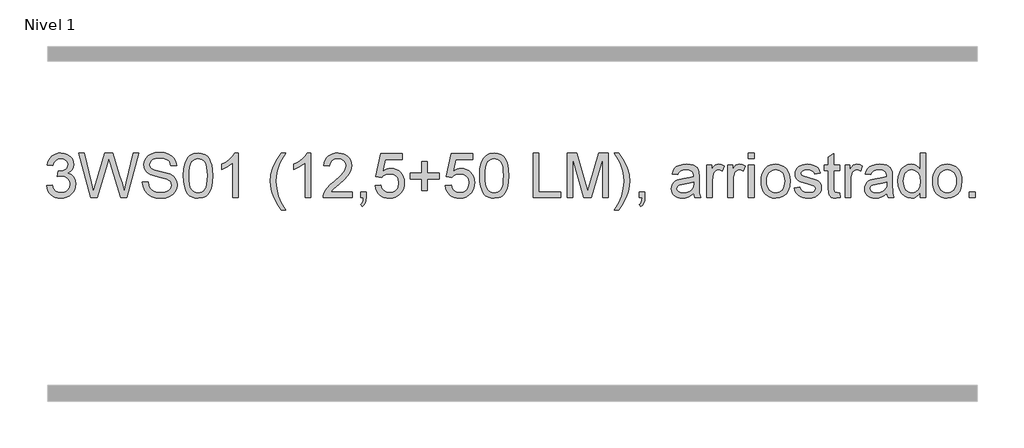
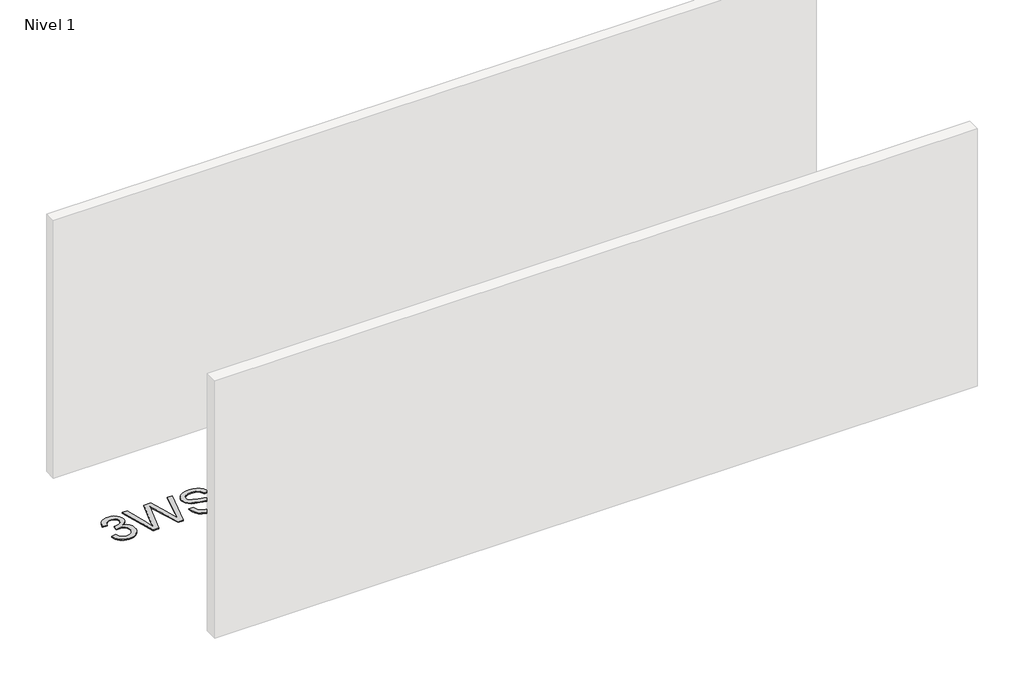
# One storey, part 7 of 13: 1 proxy.
"""IFC4 building model written with IfcOpenShell, lengths in millimetres."""

from ifc_helpers import new_model, si_unit, origin, origin_with_axes, place, context, project, spatial, polyline, outline, extrude, element, save

model = new_model("IFC4")

# Units and contexts
model_context = context("Model", 3, world=origin())
ifc_project = project(units=[si_unit("LENGTHUNIT", "METRE", prefix="MILLI")], contexts=[model_context])

# Site, building, storey
site = spatial("IfcSite", under=ifc_project)
building = spatial("IfcBuilding", under=site)
storey = spatial("IfcBuildingStorey", under=building, Name="Nivel 1", Elevation=0.0)

# Proxy
placement = place(None, origin())
element("IfcBuildingElementProxy", 1, Name="Texto de modelo 1", ObjectType="Texto de modelo 1", at=placement, inside=storey, context=model_context, shape_type="SweptSolid", body=[
    extrude(outline(polyline([(-26187.1652455, -1753.8446235), (-26136.9370905, -1747.5661041), (-26125.6921641, -1779.1303793), (-26109.2233135, -1800.4430095), (-26086.7211981, -1812.5831154), (-26057.3764776, -1816.6298173), (-26022.9427229, -1811.0625364), (-26008.6689015, -1804.1034354), (-25996.3571174, -1794.3606939), (-25979.3609692, -1769.4428201), (-25973.6955865, -1739.2274455), (-25979.3119183, -1710.5449126), (-25996.1609136, -1687.2825078), (-26021.6673986, -1671.8682522), (-26053.2561993, -1666.730167), (-26088.474769, -1672.2238715), (-26082.8829626, -1621.9957164), (-26074.8386097, -1622.5843276), (-26044.7458625, -1618.979084), (-26017.8414259, -1608.1633534), (-26006.7681778, -1599.9841103), (-25998.8587149, -1589.8673555), (-25994.1130372, -1577.8130888), (-25992.5311446, -1563.8213102), (-25997.1174068, -1542.1285352), (-26010.8761934, -1524.5315131), (-26031.8699926, -1512.8696539), (-26058.1612926, -1508.9823675), (-26084.5016434, -1512.9064421), (-26106.0350029, -1524.6786659), (-26121.7558268, -1544.299039), (-26130.6585711, -1571.7675613), (-26180.8867261, -1565.4890419), (-26174.9331692, -1541.5092672), (-26166.0978699, -1520.3867093), (-26154.3808284, -1502.1213683), (-26139.7820446, -1486.713244), (-26122.7613709, -1474.4811677), (-26103.77866, -1465.7439703), (-26082.8339117, -1460.5016519), (-26059.9271261, -1458.7542124), (-26028.3505882, -1462.2000404), (-25999.3492243, -1472.5375245), (-25974.8973343, -1488.8469596), (-25956.9692184, -1510.2086408), (-25945.9695468, -1534.8199463), (-25942.3029895, -1560.8782543), (-25945.7856058, -1585.1584659), (-25956.2334544, -1607.1823347), (-25973.4993827, -1625.9443165), (-25997.4362379, -1640.4388671), (-25965.99459, -1653.1430586), (-25942.695397, -1674.77452), (-25928.2744228, -1704.1560286), (-25923.4674314, -1740.1103623), (-25925.8709271, -1765.5923218), (-25933.0814142, -1789.0631931), (-25945.0988927, -1810.5229762), (-25961.9233626, -1829.971671), (-25982.4205211, -1846.1094278), (-26005.4560654, -1857.636397), (-26031.0299954, -1864.5525785), (-26059.1423112, -1866.8579724), (-26084.5506943, -1864.8898037), (-26107.7027346, -1858.9852977), (-26128.5984319, -1849.1444543), (-26147.2377863, -1835.3672736), (-26162.8666398, -1818.4630959), (-26174.7308341, -1799.2412617), (-26182.8303694, -1777.7017708), (-26187.1652455, -1753.8446235)])), origin_with_axes(), (0.0, 0.0, 1.0), 10.0),
    extrude(outline(polyline([(-25788.7735702, -1860.579453), (-25898.3533539, -1458.7542124), (-25846.5555689, -1458.7542124), (-25782.9855602, -1722.844434), (-25763.3651871, -1804.3670841), (-25742.3713879, -1732.2622131), (-25662.7126732, -1458.7542124), (-25588.0571537, -1458.7542124), (-25530.1770531, -1657.0180823), (-25505.3818066, -1730.5944814), (-25487.1103342, -1804.3670841), (-25468.0785723, -1725.1988788), (-25403.9199523, -1458.7542124), (-25352.1221674, -1458.7542124), (-25461.8000529, -1860.579453), (-25515.4617733, -1860.579453), (-25611.7978051, -1550.5775584), (-25625.2377606, -1507.3146358), (-25640.3454479, -1559.4067263), (-25728.1466174, -1860.579453), (-25788.7735702, -1860.579453)])), origin_with_axes(), (0.0, 0.0, 1.0), 10.0),
    extrude(outline(polyline([(-25320.7295705, -1722.4520265), (-25270.5014154, -1722.4520265), (-25264.7379308, -1750.325219), (-25254.3146076, -1772.7292325), (-25238.0542234, -1790.5101956), (-25214.7795559, -1804.5142369), (-25186.3300149, -1813.6009222), (-25154.5450105, -1816.6298173), (-25126.5614534, -1814.3366862), (-25102.0605126, -1807.4572929), (-25082.2071476, -1796.5679858), (-25068.1663181, -1782.2451135), (-25059.8153968, -1765.8007883), (-25057.0317563, -1748.5471227), (-25059.116421, -1731.7349155), (-25065.3704149, -1717.2035767), (-25078.0746065, -1704.8059535), (-25099.5098641, -1694.394893), (-25172.6448047, -1675.2159784), (-25220.6534051, -1662.5240495), (-25251.3715517, -1650.4452573), (-25276.3752646, -1633.547211), (-25294.094914, -1613.0684466), (-25304.6531273, -1589.4504225), (-25308.1725317, -1563.1345972), (-25303.8192614, -1533.7163003), (-25290.7594506, -1506.2845662), (-25269.3364558, -1483.0344241), (-25239.8936334, -1466.1609032), (-25204.5524364, -1455.8969956), (-25165.4343176, -1452.475693), (-25123.0543117, -1456.0564111), (-25085.9718066, -1466.7985654), (-25055.5111774, -1484.4814266), (-25032.9967993, -1508.8842656), (-25018.7475034, -1538.4865035), (-25013.0821207, -1571.7675613), (-25063.3102757, -1571.7675613), (-25072.5318511, -1541.7974414), (-25080.8950351, -1529.9393785), (-25091.7598167, -1520.1659801), (-25121.803513, -1507.0693811), (-25163.4722803, -1502.7038481), (-25206.1220663, -1507.0203302), (-25222.42537, -1512.4159328), (-25235.3809476, -1519.9697764), (-25252.3035194, -1539.0260637), (-25257.9443766, -1561.6630692), (-25253.9467256, -1580.9646112), (-25241.9537726, -1596.4892314), (-25213.6023335, -1610.3706453), (-25159.9406131, -1624.5463649), (-25104.5621101, -1638.0108459), (-25071.0603231, -1649.7585443), (-25042.4268411, -1667.9809658), (-25022.4508488, -1690.4708184), (-25010.7154132, -1716.9828475), (-25006.8036013, -1747.2717985), (-25011.3040243, -1778.2351997), (-25024.8052936, -1807.359191), (-25046.755586, -1832.4242176), (-25076.6030785, -1851.2107248), (-25112.4960985, -1862.9461605), (-25152.5829732, -1866.8579724), (-25201.7933215, -1862.6395922), (-25242.2971291, -1849.9844515), (-25274.5603801, -1828.8434995), (-25299.0490582, -1799.1676853), (-25314.7698822, -1763.0171479), (-25320.7295705, -1722.4520265)])), origin_with_axes(), (0.0, 0.0, 1.0), 10.0),
    extrude(outline(polyline([(-24950.2969268, -1662.9041943), (-24946.6058441, -1598.5861588), (-24935.5325961, -1547.2911459), (-24917.1875472, -1508.2343407), (-24905.3294843, -1493.0009605), (-24891.6810622, -1480.6309284), (-24876.1962959, -1471.0598651), (-24858.8292001, -1464.2233914), (-24818.4480197, -1458.7542124), (-24787.4968812, -1461.991574), (-24759.7831042, -1471.7036586), (-24736.6065385, -1487.5103217), (-24719.2670338, -1509.0314184), (-24706.1704348, -1536.0830078), (-24695.7225862, -1568.4811488), (-24688.879981, -1609.6226186), (-24686.5991127, -1662.9041943), (-24690.2534072, -1726.8543477), (-24701.2162906, -1778.0267333), (-24719.4509748, -1817.1203266), (-24731.2814467, -1832.3996922), (-24744.9206716, -1844.8341036), (-24760.4238321, -1854.4695462), (-24777.8461102, -1861.3520052), (-24818.4480197, -1866.8579724), (-24846.1127458, -1864.4667394), (-24870.6382121, -1857.2930405), (-24892.0244188, -1845.3368757), (-24910.2713657, -1828.5982449), (-24927.7825487, -1798.3399508), (-24940.2905365, -1760.6381776), (-24947.7953292, -1715.4929255), (-24950.2969268, -1662.9041943)]), holes=[polyline([(-24900.0687717, -1662.8060924), (-24898.5972438, -1706.4706195), (-24894.1826598, -1741.8148822), (-24886.8250199, -1768.8388804), (-24876.524324, -1787.5426142), (-24864.0653871, -1800.2682656), (-24850.2330241, -1809.3580165), (-24835.027235, -1814.8118671), (-24818.4480197, -1816.6298173), (-24801.8688045, -1814.8057357), (-24786.6630154, -1809.3334911), (-24772.8306523, -1800.2130833), (-24760.3717154, -1787.4445124), (-24750.0710196, -1768.7101217), (-24742.7133797, -1741.6922549), (-24738.2987957, -1706.3909118), (-24736.8272677, -1662.8060924), (-24738.2497448, -1620.2973278), (-24742.5171759, -1585.5753989), (-24749.6295612, -1558.6403055), (-24759.5869005, -1539.4920476), (-24771.837371, -1526.1440625), (-24785.8291495, -1516.6097875), (-24801.5622362, -1510.8892225), (-24819.0366309, -1508.9823675), (-24835.5300071, -1510.6623619), (-24850.4782788, -1515.7023452), (-24863.8814461, -1524.1023175), (-24875.7395091, -1535.8622786), (-24886.3835615, -1556.708925), (-24893.9864561, -1584.8151094), (-24898.5481928, -1620.1808319), (-24900.0687717, -1662.8060924)])]), origin_with_axes(), (0.0, 0.0, 1.0), 10.0),
    extrude(outline(polyline([(-24454.2938955, -1860.579453), (-24504.5220505, -1860.579453), (-24504.5220505, -1547.4382987), (-24525.4913243, -1564.3976587), (-24552.1014552, -1581.3324932), (-24604.9783607, -1606.6918254), (-24604.9783607, -1559.2105225), (-24565.5291481, -1537.7507395), (-24531.3529107, -1512.219729), (-24504.4116859, -1485.0700378), (-24486.667511, -1458.7542124), (-24454.2938955, -1458.7542124), (-24454.2938955, -1860.579453)])), origin_with_axes(), (0.0, 0.0, 1.0), 10.0),
    extrude(outline(polyline([(-24065.0256936, -1973.5928019), (-24103.9476087, -1918.9745884), (-24136.3457498, -1855.7724616), (-24149.0928609, -1821.7188516), (-24158.1979403, -1787.0521049), (-24163.6609879, -1751.7722216), (-24165.4820038, -1715.8792016), (-24160.0373502, -1653.4618897), (-24143.7033897, -1593.7423792), (-24111.2807231, -1526.101143), (-24065.0256936, -1458.7542124), (-24027.3545773, -1458.7542124), (-24074.3453708, -1538.3148252), (-24090.3850258, -1576.0840434), (-24102.5987081, -1615.4228914), (-24112.0900635, -1665.6755719), (-24115.2538487, -1716.1735072), (-24109.7601442, -1780.565119), (-24093.2790309, -1844.9322055), (-24065.8105085, -1909.2747664), (-24027.3545773, -1973.5928019), (-24065.0256936, -1973.5928019)])), origin_with_axes(), (0.0, 0.0, 1.0), 10.0),
    extrude(outline(polyline([(-23801.3278795, -1860.579453), (-23851.5560346, -1860.579453), (-23851.5560346, -1547.4382987), (-23872.5253083, -1564.3976587), (-23899.1354393, -1581.3324932), (-23952.0123447, -1606.6918254), (-23952.0123447, -1559.2105225), (-23912.5631321, -1537.7507395), (-23878.3868947, -1512.219729), (-23851.44567, -1485.0700378), (-23833.7014951, -1458.7542124), (-23801.3278795, -1458.7542124), (-23801.3278795, -1860.579453)])), origin_with_axes(), (0.0, 0.0, 1.0), 10.0),
    extrude(outline(polyline([(-23424.6167164, -1810.3512979), (-23424.6167164, -1860.579453), (-23688.3145306, -1860.579453), (-23687.2108846, -1842.8965918), (-23682.918928, -1825.9494945), (-23670.5335675, -1798.8856424), (-23652.4092478, -1772.6311307), (-23626.1915243, -1745.1503456), (-23589.5259521, -1714.4076736), (-23535.3246715, -1666.2641831), (-23502.8039031, -1630.7267824), (-23486.5435189, -1601.884834), (-23481.1233909, -1573.8277005), (-23486.2369506, -1548.6768347), (-23501.5776298, -1527.7688747), (-23525.1588657, -1513.6789943), (-23554.9940955, -1508.9823675), (-23586.3253788, -1513.5686297), (-23610.6669041, -1527.3274163), (-23626.3754653, -1549.1796068), (-23631.8078561, -1578.0460807), (-23682.0360112, -1571.7675613), (-23677.7164634, -1545.838012), (-23669.8591171, -1523.1826125), (-23658.4639723, -1503.8013627), (-23643.531029, -1487.6942627), (-23625.4036437, -1475.0329907), (-23604.4251729, -1465.989225), (-23580.5956167, -1460.5629655), (-23553.914975, -1458.7542124), (-23526.99521, -1460.7653006), (-23503.0368951, -1466.7985654), (-23482.0400302, -1476.8540066), (-23464.0046154, -1490.9316242), (-23449.5192618, -1507.9890861), (-23439.1725807, -1526.9840598), (-23432.964572, -1547.9165453), (-23430.8952358, -1570.7865427), (-23433.1270532, -1594.8092369), (-23439.8225056, -1618.4149983), (-23451.705094, -1642.4254299), (-23469.4983198, -1667.6621347), (-23497.8620217, -1697.7916701), (-23541.4560381, -1736.4805933), (-23599.2380368, -1784.795762), (-23621.8995677, -1810.3512979), (-23424.6167164, -1810.3512979)])), origin_with_axes(), (0.0, 0.0, 1.0), 10.0),
    extrude(outline(polyline([(-23349.2744838, -1860.579453), (-23349.2744838, -1810.3512979), (-23299.0463287, -1810.3512979), (-23299.0463287, -1860.579453), (-23301.3026716, -1889.3110368), (-23308.0717003, -1911.9357795), (-23319.7458223, -1929.287547), (-23336.717445, -1942.200205), (-23349.2744838, -1923.3646468), (-23338.3851767, -1914.2656988), (-23330.8313331, -1901.6841346), (-23326.2450709, -1884.246528), (-23324.2585081, -1860.579453), (-23349.2744838, -1860.579453)])), origin_with_axes(), (0.0, 0.0, 1.0), 10.0),
    extrude(outline(polyline([(-23217.4255767, -1753.8446235), (-23167.1974217, -1747.5661041), (-23157.9758463, -1777.7201649), (-23141.8871404, -1799.3148381), (-23119.0048803, -1812.3010725), (-23089.4026424, -1816.6298173), (-23070.2727787, -1815.1245668), (-23053.3992578, -1810.6088153), (-23038.7820799, -1803.0825628), (-23026.4212448, -1792.5458094), (-23016.5926642, -1779.519721), (-23009.5722495, -1764.5254641), (-23003.9559177, -1728.6324441), (-23009.2166302, -1694.8363514), (-23015.7925209, -1680.9181493), (-23024.9987678, -1668.9865099), (-23036.8660278, -1659.4154467), (-23051.4249578, -1652.5789729), (-23088.6178275, -1647.1097939), (-23112.9838783, -1649.2925604), (-23132.714616, -1655.8408599), (-23148.4722281, -1665.8717757), (-23160.9189023, -1678.5023908), (-23211.1470573, -1672.2238715), (-23167.1974217, -1465.0327318), (-22972.5633207, -1465.0327318), (-22972.5633207, -1515.2608869), (-23126.5832494, -1515.2608869), (-23148.0675579, -1625.919791), (-23130.3417771, -1613.2155994), (-23112.1868006, -1604.1411769), (-23093.6026285, -1598.6965234), (-23074.5892607, -1596.8816388), (-23050.1281737, -1599.1318504), (-23027.6597809, -1605.882485), (-23007.1840822, -1617.1335427), (-22988.7010776, -1632.8850234), (-22973.4002523, -1652.1743027), (-22962.4710913, -1674.038756), (-22955.9135948, -1698.4783832), (-22953.7277626, -1725.4931844), (-22955.6959313, -1751.5147042), (-22961.6004373, -1775.7213394), (-22971.4412807, -1798.1130902), (-22985.2184614, -1818.6899565), (-23006.0896332, -1839.7634634), (-23030.4434213, -1854.8159684), (-23058.2798256, -1863.8474714), (-23089.5988461, -1866.8579724), (-23115.5191984, -1864.9235262), (-23138.9318217, -1859.1201877), (-23159.8367161, -1849.447957), (-23178.2338815, -1835.9068338), (-23193.5408382, -1819.1712688), (-23205.1751063, -1799.915712), (-23213.1366858, -1778.1401636), (-23217.4255767, -1753.8446235)])), origin_with_axes(), (0.0, 0.0, 1.0), 10.0),
    extrude(outline(polyline([(-22796.764778, -1797.7942591), (-22796.764778, -1691.0594296), (-22903.4996075, -1691.0594296), (-22903.4996075, -1640.8312745), (-22796.764778, -1640.8312745), (-22796.764778, -1534.096445), (-22746.5366229, -1534.096445), (-22746.5366229, -1640.8312745), (-22639.8017934, -1640.8312745), (-22639.8017934, -1691.0594296), (-22746.5366229, -1691.0594296), (-22746.5366229, -1797.7942591), (-22796.764778, -1797.7942591)])), origin_with_axes(), (0.0, 0.0, 1.0), 10.0),
    extrude(outline(polyline([(-22583.2951189, -1753.8446235), (-22533.0669638, -1747.5661041), (-22523.8453885, -1777.7201649), (-22507.7566826, -1799.3148381), (-22484.8744225, -1812.3010725), (-22455.2721846, -1816.6298173), (-22436.1423208, -1815.1245668), (-22419.2688, -1810.6088153), (-22404.6516221, -1803.0825628), (-22392.290787, -1792.5458094), (-22382.4622064, -1779.519721), (-22375.4417916, -1764.5254641), (-22369.8254598, -1728.6324441), (-22375.0861724, -1694.8363514), (-22381.662063, -1680.9181493), (-22390.86831, -1668.9865099), (-22402.73557, -1659.4154467), (-22417.2945, -1652.5789729), (-22454.4873697, -1647.1097939), (-22478.8534205, -1649.2925604), (-22498.5841582, -1655.8408599), (-22514.3417703, -1665.8717757), (-22526.7884445, -1678.5023908), (-22577.0165995, -1672.2238715), (-22533.0669638, -1465.0327318), (-22338.4328629, -1465.0327318), (-22338.4328629, -1515.2608869), (-22492.4527916, -1515.2608869), (-22513.9371001, -1625.919791), (-22496.2113193, -1613.2155994), (-22478.0563428, -1604.1411769), (-22459.4721707, -1598.6965234), (-22440.4588029, -1596.8816388), (-22415.9977159, -1599.1318504), (-22393.5293231, -1605.882485), (-22373.0536244, -1617.1335427), (-22354.5706198, -1632.8850234), (-22339.2697945, -1652.1743027), (-22328.3406335, -1674.038756), (-22321.783137, -1698.4783832), (-22319.5973048, -1725.4931844), (-22321.5654734, -1751.5147042), (-22327.4699795, -1775.7213394), (-22337.3108228, -1798.1130902), (-22351.0880036, -1818.6899565), (-22371.9591754, -1839.7634634), (-22396.3129635, -1854.8159684), (-22424.1493678, -1863.8474714), (-22455.4683883, -1866.8579724), (-22481.3887406, -1864.9235262), (-22504.8013639, -1859.1201877), (-22525.7062583, -1849.447957), (-22544.1034237, -1835.9068338), (-22559.4103804, -1819.1712688), (-22571.0446485, -1799.915712), (-22579.006228, -1778.1401636), (-22583.2951189, -1753.8446235)])), origin_with_axes(), (0.0, 0.0, 1.0), 10.0),
    extrude(outline(polyline([(-22275.6476691, -1662.9041943), (-22271.9565864, -1598.5861588), (-22260.8833383, -1547.2911459), (-22242.5382895, -1508.2343407), (-22230.6802265, -1493.0009605), (-22217.0318045, -1480.6309284), (-22201.5470382, -1471.0598651), (-22184.1799423, -1464.2233914), (-22143.798762, -1458.7542124), (-22112.8476235, -1461.991574), (-22085.1338465, -1471.7036586), (-22061.9572808, -1487.5103217), (-22044.6177761, -1509.0314184), (-22031.5211771, -1536.0830078), (-22021.0733284, -1568.4811488), (-22014.2307233, -1609.6226186), (-22011.9498549, -1662.9041943), (-22015.6041494, -1726.8543477), (-22026.5670329, -1778.0267333), (-22044.8017171, -1817.1203266), (-22056.6321889, -1832.3996922), (-22070.2714139, -1844.8341036), (-22085.7745743, -1854.4695462), (-22103.1968525, -1861.3520052), (-22143.798762, -1866.8579724), (-22171.463488, -1864.4667394), (-22195.9889544, -1857.2930405), (-22217.375161, -1845.3368757), (-22235.622108, -1828.5982449), (-22253.133291, -1798.3399508), (-22265.6412788, -1760.6381776), (-22273.1460715, -1715.4929255), (-22275.6476691, -1662.9041943)]), holes=[polyline([(-22225.419514, -1662.8060924), (-22223.947986, -1706.4706195), (-22219.5334021, -1741.8148822), (-22212.1757622, -1768.8388804), (-22201.8750663, -1787.5426142), (-22189.4161294, -1800.2682656), (-22175.5837664, -1809.3580165), (-22160.3779773, -1814.8118671), (-22143.798762, -1816.6298173), (-22127.2195468, -1814.8057357), (-22112.0137576, -1809.3334911), (-22098.1813946, -1800.2130833), (-22085.7224577, -1787.4445124), (-22075.4217618, -1768.7101217), (-22068.0641219, -1741.6922549), (-22063.649538, -1706.3909118), (-22062.17801, -1662.8060924), (-22063.6004871, -1620.2973278), (-22067.8679182, -1585.5753989), (-22074.9803034, -1558.6403055), (-22084.9376428, -1539.4920476), (-22097.1881132, -1526.1440625), (-22111.1798918, -1516.6097875), (-22126.9129784, -1510.8892225), (-22144.3873732, -1508.9823675), (-22160.8807493, -1510.6623619), (-22175.8290211, -1515.7023452), (-22189.2321884, -1524.1023175), (-22201.0902514, -1535.8622786), (-22211.7343038, -1556.708925), (-22219.3371984, -1584.8151094), (-22223.8989351, -1620.1808319), (-22225.419514, -1662.8060924)])]), origin_with_axes(), (0.0, 0.0, 1.0), 10.0),
    extrude(outline(polyline([(-21792.2016765, -1860.579453), (-21792.2016765, -1458.7542124), (-21741.9735214, -1458.7542124), (-21741.9735214, -1810.3512979), (-21541.0609011, -1810.3512979), (-21541.0609011, -1860.579453), (-21792.2016765, -1860.579453)])), origin_with_axes(), (0.0, 0.0, 1.0), 10.0),
    extrude(outline(polyline([(-21484.5542267, -1860.579453), (-21484.5542267, -1458.7542124), (-21398.1264833, -1458.7542124), (-21315.9171201, -1741.9742977), (-21299.3379048, -1801.1297226), (-21281.3852635, -1737.0692045), (-21200.5493264, -1458.7542124), (-21114.121583, -1458.7542124), (-21114.121583, -1860.579453), (-21164.3497381, -1860.579453), (-21164.3497381, -1508.9823675), (-21265.2965575, -1860.579453), (-21333.3792521, -1860.579453), (-21434.3260716, -1508.9823675), (-21434.3260716, -1860.579453), (-21484.5542267, -1860.579453)])), origin_with_axes(), (0.0, 0.0, 1.0), 10.0),
    extrude(outline(polyline([(-21019.9437922, -1973.5928019), (-21057.6149085, -1973.5928019), (-21019.1589773, -1909.2747664), (-20991.690455, -1844.9322055), (-20975.2093416, -1780.565119), (-20969.7156371, -1716.1735072), (-20972.8794223, -1666.0434539), (-20982.3707778, -1616.3058082), (-20994.3637308, -1576.8933838), (-21010.3298094, -1539.0996401), (-21057.6149085, -1458.7542124), (-21019.9437922, -1458.7542124), (-20973.6887627, -1526.101143), (-20941.2660962, -1593.7423792), (-20924.9321356, -1653.4618897), (-20919.4874821, -1715.8792016), (-20921.317695, -1751.7722216), (-20926.8083338, -1787.0521049), (-20935.9593984, -1821.7188516), (-20948.7708889, -1855.7724616), (-20981.2058181, -1918.9745884), (-21019.9437922, -1973.5928019)])), origin_with_axes(), (0.0, 0.0, 1.0), 10.0),
    extrude(outline(polyline([(-20831.5882107, -1860.579453), (-20831.5882107, -1810.3512979), (-20781.3600556, -1810.3512979), (-20781.3600556, -1860.579453), (-20783.6163985, -1889.3110368), (-20790.3854272, -1911.9357795), (-20802.0595492, -1929.287547), (-20819.0311719, -1942.200205), (-20831.5882107, -1923.3646468), (-20820.6989036, -1914.2656988), (-20813.14506, -1901.6841346), (-20808.5587978, -1884.246528), (-20806.572235, -1860.579453), (-20831.5882107, -1860.579453)])), origin_with_axes(), (0.0, 0.0, 1.0), 10.0),
    extrude(outline(polyline([(-20341.8636987, -1822.9083367), (-20365.8618675, -1843.4852029), (-20390.5712749, -1856.949684), (-20416.5560065, -1864.3809003), (-20444.380148, -1866.8579724), (-20466.7443076, -1865.3680503), (-20486.3554837, -1860.8982841), (-20503.2136761, -1853.4486737), (-20517.3188849, -1843.0192191), (-20528.4565123, -1830.272108), (-20536.4119605, -1815.8695278), (-20541.1852294, -1799.8114788), (-20542.776319, -1782.0979607), (-20540.3728233, -1761.2758398), (-20533.1623362, -1742.3667052), (-20522.0400372, -1726.1798974), (-20507.9011059, -1713.5247568), (-20491.2851024, -1703.9598249), (-20472.7315871, -1697.0436434), (-20429.2724608, -1689.4897998), (-20377.9161342, -1681.5435487), (-20342.1580043, -1672.2238715), (-20341.8636987, -1661.0402588), (-20345.3217895, -1638.6239826), (-20355.6960617, -1623.9577537), (-20378.8971529, -1613.0684466), (-20411.2217175, -1609.4386776), (-20441.1427865, -1611.8544361), (-20462.0384838, -1619.1017114), (-20476.2877797, -1632.5048787), (-20486.2696445, -1653.3883133), (-20536.4977996, -1647.1097939), (-20527.7789963, -1619.6412716), (-20514.7682364, -1598.0588612), (-20496.2515093, -1581.5532224), (-20471.0148045, -1569.3150147), (-20440.1495051, -1561.7366456), (-20404.7469944, -1559.2105225), (-20370.7914863, -1561.44234), (-20343.8747869, -1568.1377923), (-20323.5799635, -1578.2054962), (-20309.4900831, -1590.5540685), (-20300.1458804, -1605.8211713), (-20294.0880903, -1624.6444668), (-20291.6355436, -1668.5941024), (-20291.6355436, -1731.0849907), (-20289.0848951, -1818.3465999), (-20279.0785049, -1860.579453), (-20329.3066599, -1860.579453), (-20337.3510129, -1843.117321), (-20341.8636987, -1822.9083367)]), holes=[polyline([(-20341.8636987, -1722.4520265), (-20375.6107404, -1730.8152106), (-20422.8958395, -1737.8540194), (-20466.1097112, -1745.9964742), (-20477.3546375, -1751.5637551), (-20485.6810333, -1759.2402261), (-20490.8313813, -1768.4372759), (-20492.5481639, -1778.5662935), (-20488.8080303, -1793.5023025), (-20477.5876295, -1805.7405102), (-20459.132216, -1813.9074905), (-20433.6870447, -1816.6298173), (-20406.7090317, -1813.6254477), (-20382.8702784, -1804.6123388), (-20363.544211, -1791.3317988), (-20350.1042554, -1775.5251357), (-20344.1445671, -1759.2402261), (-20342.1580043, -1736.676797), (-20341.8636987, -1722.4520265)])]), origin_with_axes(), (0.0, 0.0, 1.0), 10.0),
    extrude(outline(polyline([(-20222.5718304, -1860.579453), (-20222.5718304, -1565.4890419), (-20178.6221947, -1565.4890419), (-20178.6221947, -1609.144372), (-20162.386336, -1583.8340908), (-20147.4258015, -1568.9226072), (-20132.4162161, -1561.6385437), (-20116.0332046, -1559.2105225), (-20091.0172289, -1563.0855462), (-20065.6088458, -1574.7106173), (-20082.3842648, -1619.7393735), (-20100.0426005, -1612.0138516), (-20117.7009363, -1609.4386776), (-20132.698259, -1611.9157497), (-20146.1014263, -1619.346966), (-20156.9294197, -1631.1682408), (-20164.2012205, -1646.8154883), (-20170.3080616, -1674.8726218), (-20172.3436753, -1705.4804038), (-20172.3436753, -1860.579453), (-20222.5718304, -1860.579453)])), origin_with_axes(), (0.0, 0.0, 1.0), 10.0),
    extrude(outline(polyline([(-20034.2162489, -1860.579453), (-20034.2162489, -1565.4890419), (-19990.2666132, -1565.4890419), (-19990.2666132, -1609.144372), (-19974.0307545, -1583.8340908), (-19959.07022, -1568.9226072), (-19944.0606346, -1561.6385437), (-19927.6776231, -1559.2105225), (-19902.6616474, -1563.0855462), (-19877.2532643, -1574.7106173), (-19894.0286832, -1619.7393735), (-19911.687019, -1612.0138516), (-19929.3453548, -1609.4386776), (-19944.3426774, -1611.9157497), (-19957.7458448, -1619.346966), (-19968.5738382, -1631.1682408), (-19975.845639, -1646.8154883), (-19981.9524801, -1674.8726218), (-19983.9880938, -1705.4804038), (-19983.9880938, -1860.579453), (-20034.2162489, -1860.579453)])), origin_with_axes(), (0.0, 0.0, 1.0), 10.0),
    extrude(outline(polyline([(-19845.8606673, -1508.9823675), (-19845.8606673, -1458.7542124), (-19795.6325123, -1458.7542124), (-19795.6325123, -1508.9823675), (-19845.8606673, -1508.9823675)])), origin_with_axes(), (0.0, 0.0, 1.0), 10.0),
    extrude(outline(polyline([(-19845.8606673, -1860.579453), (-19845.8606673, -1565.4890419), (-19795.6325123, -1565.4890419), (-19795.6325123, -1860.579453), (-19845.8606673, -1860.579453)])), origin_with_axes(), (0.0, 0.0, 1.0), 10.0),
    extrude(outline(polyline([(-19732.8473184, -1713.0342475), (-19730.131123, -1674.8174395), (-19721.9825368, -1641.8858696), (-19708.4015598, -1614.2395377), (-19689.3881921, -1591.8784437), (-19670.2460656, -1577.5862282), (-19649.1173763, -1567.3775028), (-19626.0021243, -1561.2522676), (-19600.9003095, -1559.2105225), (-19573.1895982, -1561.6967917), (-19548.1337686, -1569.1555991), (-19525.7328208, -1581.5869449), (-19505.9867547, -1598.990829), (-19489.8704577, -1620.7786401), (-19478.3588169, -1646.3617672), (-19471.4518324, -1675.7402102), (-19469.1495043, -1708.9139691), (-19473.2207317, -1759.657159), (-19485.4344139, -1798.2847685), (-19505.4349317, -1827.212556), (-19532.8666658, -1848.8562801), (-19565.4487479, -1862.3575493), (-19600.9003095, -1866.8579724), (-19629.015691, -1864.3809003), (-19654.3045124, -1856.949684), (-19676.7667739, -1844.5643235), (-19696.4024754, -1827.2248188), (-19712.3470942, -1805.2254755), (-19723.7361077, -1778.8605991), (-19730.5695157, -1748.1301898), (-19732.8473184, -1713.0342475)]), holes=[polyline([(-19682.6191633, -1712.9361456), (-19681.1660295, -1737.2991307), (-19676.8066278, -1758.3940975), (-19669.5409584, -1776.2210458), (-19659.3690212, -1790.7799758), (-19646.9959235, -1802.0892814), (-19633.1267723, -1810.1673569), (-19617.7615676, -1815.0142022), (-19600.9003095, -1816.6298173), (-19584.1248905, -1815.0050052), (-19568.8209995, -1810.1305687), (-19554.9886365, -1802.006508), (-19542.6278014, -1790.632823), (-19532.4558643, -1775.9298059), (-19525.1901949, -1757.817749), (-19520.8307932, -1736.2966523), (-19519.3776594, -1711.3665157), (-19520.8399903, -1687.7760828), (-19525.2269831, -1667.2329391), (-19532.5386377, -1649.7370845), (-19542.7749542, -1635.2885191), (-19555.1817745, -1623.9792135), (-19569.0049405, -1615.901138), (-19584.2444522, -1611.0542927), (-19600.9003095, -1609.4386776), (-19617.7615676, -1611.0481613), (-19633.1267723, -1615.8766125), (-19646.9959235, -1623.9240312), (-19659.3690212, -1635.1904173), (-19669.5409584, -1649.7064277), (-19676.8066278, -1667.5027192), (-19681.1660295, -1688.5792918), (-19682.6191633, -1712.9361456)])]), origin_with_axes(), (0.0, 0.0, 1.0), 10.0),
    extrude(outline(polyline([(-19431.478388, -1772.6801816), (-19381.2502329, -1766.4016622), (-19373.3285073, -1787.8859707), (-19358.0000908, -1803.6803711), (-19335.1668816, -1813.3924557), (-19304.7307779, -1816.6298173), (-19274.6625562, -1813.6622359), (-19253.5216042, -1804.7594916), (-19241.0136163, -1791.8590963), (-19236.8442871, -1776.8985618), (-19241.0381418, -1764.0962684), (-19253.619706, -1754.3351328), (-19305.3193891, -1740.0122604), (-19380.9559273, -1715.4377432), (-19400.0980538, -1703.0891709), (-19413.967205, -1686.7429475), (-19422.3917027, -1667.4414055), (-19425.1998686, -1646.2268771), (-19422.9435257, -1626.7659196), (-19416.174497, -1608.8010155), (-19405.5059191, -1593.0434034), (-19391.5509288, -1580.2043217), (-19359.6187716, -1565.3418891), (-19338.735337, -1560.7433642), (-19316.4048999, -1559.2105225), (-19283.7124532, -1561.6753319), (-19255.2874377, -1569.06976), (-19232.4297031, -1580.6703056), (-19216.4390991, -1595.7534674), (-19205.8440976, -1615.4351541), (-19199.1731707, -1640.8312745), (-19249.4013258, -1647.1097939), (-19255.7411589, -1631.3031309), (-19268.2859349, -1619.396017), (-19287.1582813, -1611.9280125), (-19312.4808253, -1609.4386776), (-19341.3227737, -1611.8176479), (-19360.5507393, -1618.9545586), (-19371.36647, -1629.2552544), (-19374.9717135, -1641.1255801), (-19368.9874997, -1655.7427581), (-19350.2500434, -1666.8282689), (-19306.9871208, -1677.5213722), (-19233.263569, -1701.1639217), (-19213.7903487, -1712.4701617), (-19199.026018, -1727.945731), (-19189.7186035, -1747.6396805), (-19186.616132, -1771.6010611), (-19190.2581637, -1796.3717821), (-19201.184259, -1819.6709751), (-19218.9774848, -1839.6714929), (-19243.2209083, -1854.5461883), (-19272.5043151, -1863.7800264), (-19305.417491, -1866.8579724), (-19332.4506862, -1865.3741817), (-19356.062579, -1860.9228095), (-19376.2531691, -1853.503856), (-19393.0224567, -1843.117321), (-19406.7199297, -1829.8122555), (-19417.6950759, -1813.6377104), (-19425.9478953, -1794.5936858), (-19431.478388, -1772.6801816)])), origin_with_axes(), (0.0, 0.0, 1.0), 10.0),
    extrude(outline(polyline([(-19023.374628, -1818.6899565), (-19017.0961086, -1862.050981), (-19054.669123, -1866.8579724), (-19078.7776565, -1864.7733077), (-19096.7548233, -1858.5193138), (-19109.4590149, -1848.8808055), (-19117.7486225, -1836.6425978), (-19122.3103592, -1815.6242732), (-19123.8309381, -1779.6454141), (-19123.8309381, -1615.717197), (-19161.5020544, -1615.717197), (-19161.5020544, -1565.4890419), (-19123.8309381, -1565.4890419), (-19123.8309381, -1493.7765783), (-19073.6027831, -1464.2479169), (-19073.6027831, -1565.4890419), (-19023.374628, -1565.4890419), (-19023.374628, -1615.717197), (-19073.6027831, -1615.717197), (-19073.6027831, -1778.1738861), (-19070.9540327, -1804.0727785), (-19062.3701195, -1813.2453029), (-19045.251344, -1816.6298173), (-19023.374628, -1818.6899565)])), origin_with_axes(), (0.0, 0.0, 1.0), 10.0),
    extrude(outline(polyline([(-18973.1464729, -1860.579453), (-18973.1464729, -1565.4890419), (-18929.1968372, -1565.4890419), (-18929.1968372, -1609.144372), (-18912.9609785, -1583.8340908), (-18898.000444, -1568.9226072), (-18882.9908586, -1561.6385437), (-18866.6078471, -1559.2105225), (-18841.5918714, -1563.0855462), (-18816.1834883, -1574.7106173), (-18832.9589073, -1619.7393735), (-18850.6172431, -1612.0138516), (-18868.2755788, -1609.4386776), (-18883.2729015, -1611.9157497), (-18896.6760688, -1619.346966), (-18907.5040622, -1631.1682408), (-18914.775863, -1646.8154883), (-18920.8827041, -1674.8726218), (-18922.9183178, -1705.4804038), (-18922.9183178, -1860.579453), (-18973.1464729, -1860.579453)])), origin_with_axes(), (0.0, 0.0, 1.0), 10.0),
    extrude(outline(polyline([(-18596.4353099, -1822.9083367), (-18620.4334787, -1843.4852029), (-18645.142886, -1856.949684), (-18671.1276176, -1864.3809003), (-18698.9517592, -1866.8579724), (-18721.3159188, -1865.3680503), (-18740.9270948, -1860.8982841), (-18757.7852873, -1853.4486737), (-18771.8904961, -1843.0192191), (-18783.0281235, -1830.272108), (-18790.9835716, -1815.8695278), (-18795.7568405, -1799.8114788), (-18797.3479302, -1782.0979607), (-18794.9444344, -1761.2758398), (-18787.7339473, -1742.3667052), (-18776.6116484, -1726.1798974), (-18762.472717, -1713.5247568), (-18745.8567136, -1703.9598249), (-18727.3031983, -1697.0436434), (-18683.8440719, -1689.4897998), (-18632.4877454, -1681.5435487), (-18596.7296154, -1672.2238715), (-18596.4353099, -1661.0402588), (-18599.8934006, -1638.6239826), (-18610.2676729, -1623.9577537), (-18633.468764, -1613.0684466), (-18665.7933287, -1609.4386776), (-18695.7143976, -1611.8544361), (-18716.6100949, -1619.1017114), (-18730.8593909, -1632.5048787), (-18740.8412557, -1653.3883133), (-18791.0694108, -1647.1097939), (-18782.3506075, -1619.6412716), (-18769.3398476, -1598.0588612), (-18750.8231205, -1581.5532224), (-18725.5864156, -1569.3150147), (-18694.7211162, -1561.7366456), (-18659.3186056, -1559.2105225), (-18625.3630974, -1561.44234), (-18598.4463981, -1568.1377923), (-18578.1515747, -1578.2054962), (-18564.0616943, -1590.5540685), (-18554.7174916, -1605.8211713), (-18548.6597014, -1624.6444668), (-18546.2071548, -1668.5941024), (-18546.2071548, -1731.0849907), (-18543.6565063, -1818.3465999), (-18533.650116, -1860.579453), (-18583.8782711, -1860.579453), (-18591.922624, -1843.117321), (-18596.4353099, -1822.9083367)]), holes=[polyline([(-18596.4353099, -1722.4520265), (-18630.1823515, -1730.8152106), (-18677.4674507, -1737.8540194), (-18720.6813224, -1745.9964742), (-18731.9262487, -1751.5637551), (-18740.2526445, -1759.2402261), (-18745.4029924, -1768.4372759), (-18747.1197751, -1778.5662935), (-18743.3796415, -1793.5023025), (-18732.1592406, -1805.7405102), (-18713.7038272, -1813.9074905), (-18688.2586558, -1816.6298173), (-18661.2806429, -1813.6254477), (-18637.4418896, -1804.6123388), (-18618.1158221, -1791.3317988), (-18604.6758665, -1775.5251357), (-18598.7161782, -1759.2402261), (-18596.7296154, -1736.676797), (-18596.4353099, -1722.4520265)])]), origin_with_axes(), (0.0, 0.0, 1.0), 10.0),
    extrude(outline(polyline([(-18295.0663794, -1860.579453), (-18295.0663794, -1813.196252), (-18310.0943589, -1836.6732547), (-18328.2983863, -1853.4425423), (-18349.6784616, -1863.5041149), (-18374.2345848, -1866.8579724), (-18406.7063022, -1862.00193), (-18436.4311674, -1847.433803), (-18461.5942959, -1824.1713982), (-18480.3808031, -1793.2325224), (-18492.0794506, -1755.8679744), (-18495.9789997, -1713.3285531), (-18492.3860189, -1671.3164292), (-18481.6070764, -1633.3755328), (-18463.6544351, -1601.6641048), (-18438.5403575, -1578.3403863), (-18408.1655675, -1563.9929885), (-18374.4307885, -1559.2105225), (-18349.8562712, -1562.6318251), (-18328.126708, -1572.8957328), (-18309.7080828, -1588.6288194), (-18295.0663794, -1608.457659), (-18295.0663794, -1458.7542124), (-18244.8382243, -1458.7542124), (-18244.8382243, -1860.579453), (-18295.0663794, -1860.579453)]), holes=[polyline([(-18445.7508446, -1713.1323493), (-18444.3344989, -1737.4892031), (-18440.0854619, -1758.5657757), (-18433.0037335, -1776.3620672), (-18423.0893137, -1790.8780776), (-18398.3921691, -1810.1918824), (-18384.5168865, -1815.0203336), (-18369.6237971, -1816.6298173), (-18354.6601969, -1815.09391), (-18340.8676878, -1810.486188), (-18316.7959426, -1792.0553), (-18307.2892587, -1778.1462949), (-18300.4987702, -1760.9937969), (-18295.0663794, -1716.9583221), (-18300.5968721, -1668.8148316), (-18307.5099879, -1650.2797104), (-18317.18835, -1635.4356719), (-18328.8900632, -1624.0619869), (-18341.8732319, -1615.9379262), (-18356.1378563, -1611.0634898), (-18371.6839363, -1609.4386776), (-18386.8713313, -1610.9991104), (-18400.7466139, -1615.6804088), (-18413.309784, -1623.4825728), (-18424.5608417, -1634.4056024), (-18433.831468, -1648.6886208), (-18440.4533439, -1666.5707515), (-18445.7508446, -1713.1323493)])]), origin_with_axes(), (0.0, 0.0, 1.0), 10.0),
    extrude(outline(polyline([(-18182.0530305, -1713.0342475), (-18179.3368351, -1674.8174395), (-18171.1882489, -1641.8858696), (-18157.6072719, -1614.2395377), (-18138.5939041, -1591.8784437), (-18119.4517776, -1577.5862282), (-18098.3230884, -1567.3775028), (-18075.2078364, -1561.2522676), (-18050.1060215, -1559.2105225), (-18022.3953103, -1561.6967917), (-17997.3394807, -1569.1555991), (-17974.9385329, -1581.5869449), (-17955.1924668, -1598.990829), (-17939.0761697, -1620.7786401), (-17927.564529, -1646.3617672), (-17920.6575445, -1675.7402102), (-17918.3552163, -1708.9139691), (-17922.4264438, -1759.657159), (-17934.640126, -1798.2847685), (-17954.6406438, -1827.212556), (-17982.0723779, -1848.8562801), (-18014.6544599, -1862.3575493), (-18050.1060215, -1866.8579724), (-18078.221403, -1864.3809003), (-18103.5102245, -1856.949684), (-18125.972486, -1844.5643235), (-18145.6081875, -1827.2248188), (-18161.5528063, -1805.2254755), (-18172.9418197, -1778.8605991), (-18179.7752278, -1748.1301898), (-18182.0530305, -1713.0342475)]), holes=[polyline([(-18131.8248754, -1712.9361456), (-18130.3717415, -1737.2991307), (-18126.0123399, -1758.3940975), (-18118.7466705, -1776.2210458), (-18108.5747333, -1790.7799758), (-18096.2016355, -1802.0892814), (-18082.3324843, -1810.1673569), (-18066.9672797, -1815.0142022), (-18050.1060215, -1816.6298173), (-18033.3306026, -1815.0050052), (-18018.0267116, -1810.1305687), (-18004.1943486, -1802.006508), (-17991.8335135, -1790.632823), (-17981.6615763, -1775.9298059), (-17974.3959069, -1757.817749), (-17970.0365053, -1736.2966523), (-17968.5833714, -1711.3665157), (-17970.0457023, -1687.7760828), (-17974.4326951, -1667.2329391), (-17981.7443498, -1649.7370845), (-17991.9806663, -1635.2885191), (-18004.3874866, -1623.9792135), (-18018.2106526, -1615.901138), (-18033.4501642, -1611.0542927), (-18050.1060215, -1609.4386776), (-18066.9672797, -1611.0481613), (-18082.3324843, -1615.8766125), (-18096.2016355, -1623.9240312), (-18108.5747333, -1635.1904173), (-18118.7466705, -1649.7064277), (-18126.0123399, -1667.5027192), (-18130.3717415, -1688.5792918), (-18131.8248754, -1712.9361456)])]), origin_with_axes(), (0.0, 0.0, 1.0), 10.0),
    extrude(outline(polyline([(-17849.2915031, -1860.579453), (-17849.2915031, -1810.3512979), (-17799.063348, -1810.3512979), (-17799.063348, -1860.579453), (-17849.2915031, -1860.579453)])), origin_with_axes(), (0.0, 0.0, 1.0), 10.0),
])

save(model, "model.ifc")
